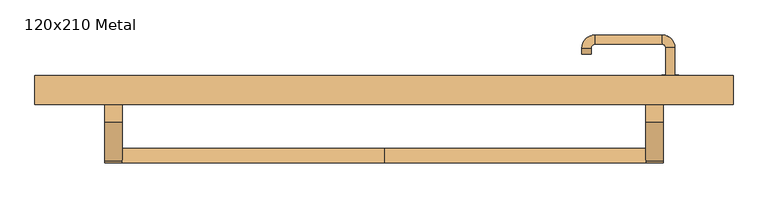
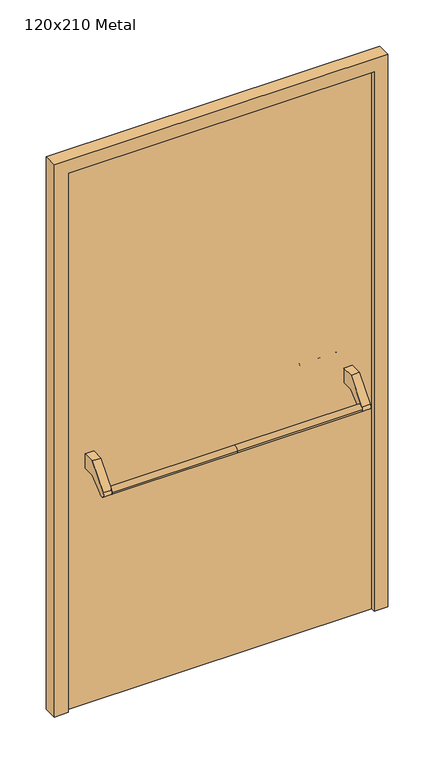
"""IFC4 building model written with IfcOpenShell, lengths in millimetres: door geometry, 120x210 Metal."""

from ifc_helpers import new_model, si_unit, point, frame, frame_2d, origin, origin_with_axes, place, context, project, spatial, polyline, circle_curve, ellipse_curve, trimmed, segment, composite_curve, outline, extrude, source, transform, mapped, element, save
from ifc_brep_helpers import plane_surface, cylinder_surface, revolved_surface, advanced_brep


def door_120x210_metal_7ee42a4d(model_context):
    return source(origin(), model_context, "Body", "SolidModel", [
        advanced_brep(
        [(-450.0, 14.5828565, 861.5304884), (-450.0, -10.4171435, 861.5304884), (0.0, 14.5828565, 861.5304884), (0.0, -10.4171435, 861.5304884), (450.0, 14.5828565, 861.5304884), (450.0, -10.4171435, 861.5304884)],
        [
            (0, 1, circle_curve(frame((-450.0, 2.0828565, 861.5304884), z_axis=(-1.0, 0.0, 0.0), x_axis=(0.0, -1.0, 0.0)), 12.5)),
            (1, 0, circle_curve(frame((-450.0, 2.0828565, 861.5304884), z_axis=(-1.0, 0.0, 0.0), x_axis=(0.0, -1.0, 0.0)), 12.5)),
            (0, 2),
            (2, 3, circle_curve(frame((0.0, 2.0828565, 861.5304884), z_axis=(-1.0, 0.0, 0.0), x_axis=(0.0, -1.0, 0.0)), 12.5)),
            (3, 1),
            (3, 2, circle_curve(frame((0.0, 2.0828565, 861.5304884), z_axis=(-1.0, 0.0, 0.0), x_axis=(0.0, -1.0, 0.0)), 12.5)),
            (4, 5, circle_curve(frame((450.0, 2.0828565, 861.5304884), z_axis=(1.0, 0.0, 0.0), x_axis=(0.0, -1.0, 0.0)), 12.5)),
            (5, 4, circle_curve(frame((450.0, 2.0828565, 861.5304884), z_axis=(1.0, 0.0, 0.0), x_axis=(0.0, -1.0, 0.0)), 12.5)),
            (5, 3),
            (2, 4),
        ],
        [
            plane_surface(frame((-450.0, -10.4171435, 861.5304884), z_axis=(-1.0, 0.0, 0.0), x_axis=(0.0, 0.0, -1.0))),
            cylinder_surface(frame((-450.0, 2.0828565, 861.5304884), z_axis=(1.0, 0.0, 0.0), x_axis=(0.0, -1.0, 0.0)), 12.5),
            plane_surface(frame((450.0, -10.4171435, 861.5304884), z_axis=(1.0, 0.0, 0.0), x_axis=(0.0, 0.0, 1.0))),
            cylinder_surface(frame((0.0, 2.0828565, 861.5304884), z_axis=(1.0, 0.0, 0.0), x_axis=(0.0, -1.0, 0.0)), 12.5),
        ],
        [
            (0, [[1, 2]]),
            (1, [[3, 4, 5, -1]]),
            (1, [[-5, 6, -3, -2]]),
            (2, [[7, 8]]),
            (3, [[9, -4, 10, -8]]),
            (3, [[-10, -6, -9, -7]]),
        ],
    ),
        extrude(outline(composite_curve([segment(polyline([(60.0, 950.0), (105.0, 950.0), (105.0, 895.2768379), (61.4513009, 895.2768379), (11.6584121, 853.4956432)]), True, "CONTINUOUS"), segment(trimmed(circle_curve(frame_2d((2.0828565, 861.5304884)), 12.5), [point((11.6584121, 853.4956432))], [point((-7.492699, 869.5653335))], False, "CARTESIAN"), True, "CONTINUOUS"), segment(polyline([(-7.492699, 869.5653335), (60.0, 950.0)]), True, "CONTINUOUS")], self_intersect=False)), frame((-480.0, 0.0, 0.0), z_axis=(1.0, 0.0, 0.0), x_axis=(0.0, 1.0, 0.0)), (0.0, 0.0, 1.0), 30.0),
        extrude(outline(composite_curve([segment(polyline([(60.0, 950.0), (105.0, 950.0), (105.0, 895.2768379), (61.4513009, 895.2768379), (11.6584121, 853.4956432)]), True, "CONTINUOUS"), segment(trimmed(circle_curve(frame_2d((2.0828565, 861.5304884)), 12.5), [point((11.6584121, 853.4956432))], [point((-7.492699, 869.5653335))], False, "CARTESIAN"), True, "CONTINUOUS"), segment(polyline([(-7.492699, 869.5653335), (60.0, 950.0)]), True, "CONTINUOUS")], self_intersect=False)), frame((450.0, 0.0, 0.0), z_axis=(1.0, 0.0, 0.0), x_axis=(0.0, 1.0, 0.0)), (0.0, 0.0, 1.0), 30.0),
        extrude(outline(composite_curve([segment(trimmed(circle_curve(frame_2d((0.0, -15.0)), 15.0), [point((0.0, -30.0))], [point((0.0, 0.0))], False, "CARTESIAN"), True, "CONTINUOUS"), segment(trimmed(circle_curve(frame_2d((0.0, -15.0)), 15.0), [point((0.0, 0.0))], [point((0.0, -30.0))], False, "CARTESIAN"), True, "CONTINUOUS")], self_intersect=False), holes=[composite_curve([segment(trimmed(circle_curve(frame_2d((4.7772515, -14.9398032)), 2.0), [point((4.7772515, -16.9398032))], [point((4.7772515, -12.9398032))], True, "CARTESIAN"), True, "CONTINUOUS"), segment(polyline([(4.7772515, -12.9398032), (-5.2227485, -12.9398032)]), True, "CONTINUOUS"), segment(trimmed(circle_curve(frame_2d((-5.2227485, -14.9398032)), 2.0), [point((-5.2227485, -12.9398032))], [point((-5.2227485, -16.9398032))], True, "CARTESIAN"), True, "CONTINUOUS"), segment(polyline([(-5.2227485, -16.9398032), (4.7772515, -16.9398032)]), True, "CONTINUOUS")], self_intersect=False)]), frame((477.0, 135.0, 897.3605726), z_axis=(1.8870575173328306e-12, 1.0, 0.0), x_axis=(0.0, 0.0, -1.0)), (0.0, 0.0, 1.0), 6.35),
        extrude(outline(composite_curve([segment(trimmed(circle_curve(frame_2d((0.0, -17.526)), 17.526), [point((0.0, -35.052))], [point((0.0, 0.0))], False, "CARTESIAN"), True, "CONTINUOUS"), segment(trimmed(circle_curve(frame_2d((0.0, -17.526)), 17.526), [point((0.0, 0.0))], [point((0.0, -35.052))], False, "CARTESIAN"), True, "CONTINUOUS")], self_intersect=False)), frame((474.474, 135.0, 950.0), z_axis=(1.8870575173328306e-12, 1.0, 0.0), x_axis=(0.0, 0.0, -1.0)), (0.0, 0.0, 1.0), 3.175),
        advanced_brep(
        [(500.0, 135.0, 950.0), (484.0, 135.0, 950.0), (500.0, 188.0, 950.0), (484.0, 188.0, 950.0), (477.8578644, 194.1421356, 950.0), (477.8578644, 210.1421356, 950.0), (362.8578644, 210.1421356, 950.0), (362.8578644, 194.1421356, 950.0), (356.008622, 187.2928932, 950.0), (340.008622, 187.2928932, 950.0), (340.008622, 177.2928932, 950.0), (356.008622, 177.2928932, 950.0)],
        [
            (0, 1, circle_curve(frame((492.0, 135.0, 950.0), z_axis=(-1.888672253512351e-12, -1.0, 0.0), x_axis=(-1.0, 1.888672253512351e-12, 0.0)), 8.0)),
            (1, 0, circle_curve(frame((492.0, 135.0, 950.0), z_axis=(-1.888672253512351e-12, -1.0, 0.0), x_axis=(-1.0, 1.888672253512351e-12, 0.0)), 8.0)),
            (0, 2),
            (2, 3, circle_curve(frame((492.0, 188.0, 950.0), z_axis=(-1.888672253512351e-12, -1.0, 0.0), x_axis=(-1.0, 1.888672253512351e-12, 0.0)), 8.0)),
            (3, 1),
            (3, 2, circle_curve(frame((492.0, 188.0, 950.0), z_axis=(-1.888672253512351e-12, -1.0, 0.0), x_axis=(-1.0, 1.888672253512351e-12, 0.0)), 8.0)),
            (4, 3, circle_curve(frame((477.8578644, 188.0, 950.0), z_axis=(0.0, 0.0, -1.0), x_axis=(1.0, -1.880717803715015e-12, 0.0)), 6.1421356)),
            (2, 5, circle_curve(frame((477.8578644, 188.0, 950.0), z_axis=(0.0, 0.0, 1.0), x_axis=(1.0, -1.880717803715015e-12, 0.0)), 22.1421356)),
            (5, 4, circle_curve(frame((477.8578644, 202.1421356, 950.0), z_axis=(1.0, -1.913702061528922e-12, 0.0), x_axis=(-1.913702061528922e-12, -1.0, 0.0)), 8.0)),
            (4, 5, circle_curve(frame((477.8578644, 202.1421356, 950.0), z_axis=(1.0, -1.913702061528922e-12, 0.0), x_axis=(-1.913702061528922e-12, -1.0, 0.0)), 8.0)),
            (5, 6),
            (6, 7, circle_curve(frame((362.8578644, 202.1421356, 950.0), z_axis=(1.0, -1.913719828541269e-12, 0.0), x_axis=(-1.913719828541269e-12, -1.0, 0.0)), 8.0)),
            (7, 4),
            (7, 6, circle_curve(frame((362.8578644, 202.1421356, 950.0), z_axis=(1.0, -1.913719828541269e-12, 0.0), x_axis=(-1.913719828541269e-12, -1.0, 0.0)), 8.0)),
            (8, 7, circle_curve(frame((362.8578644, 187.2928932, 950.0), z_axis=(0.0, 0.0, -1.0), x_axis=(1.9120873253494017e-12, 1.0, 0.0)), 6.8492424)),
            (6, 9, circle_curve(frame((362.8578644, 187.2928932, 950.0), z_axis=(0.0, 0.0, 1.0), x_axis=(1.9120873253494017e-12, 1.0, 0.0)), 22.8492424)),
            (9, 8, circle_curve(frame((348.008622, 187.2928932, 950.0), z_axis=(1.890670654956676e-12, 1.0, 0.0), x_axis=(1.0, -1.890670654956676e-12, 0.0)), 8.0)),
            (8, 9, circle_curve(frame((348.008622, 187.2928932, 950.0), z_axis=(1.890226565746826e-12, 1.0, 0.0), x_axis=(1.0, -1.890226565746826e-12, 0.0)), 8.0)),
            (10, 11, circle_curve(frame((348.008622, 177.2928932, 950.0), z_axis=(-1.8903642334018795e-12, -1.0, 0.0), x_axis=(1.0, -1.8903642334018795e-12, 0.0)), 8.0)),
            (11, 10, circle_curve(frame((348.008622, 177.2928932, 950.0), z_axis=(-1.8903642334018795e-12, -1.0, 0.0), x_axis=(1.0, -1.8903642334018795e-12, 0.0)), 8.0)),
            (9, 10),
            (11, 8),
        ],
        [
            plane_surface(frame((492.0, 135.0, 170.0), z_axis=(-1.8870575173328306e-12, -1.0, 0.0), x_axis=(0.0, 0.0, 1.0))),
            cylinder_surface(frame((492.0, 135.0, 950.0), z_axis=(-1.888672253512351e-12, -1.0, 0.0), x_axis=(-1.0, 1.888672253512351e-12, 0.0)), 8.0),
            revolved_surface(trimmed(ellipse_curve(frame((492.0, 188.0, 950.0), z_axis=(-1.8823325398945356e-12, -1.0, 0.0), x_axis=(-1.0, 1.8823325398945356e-12, 0.0)), 8.0, 8.0), [point((500.0, 188.0, 950.0))], [point((484.0, 188.0, 950.0))], True, "CARTESIAN"), (477.8578644, 188.0, 170.0), (0.0, 0.0, 1.0)),
            revolved_surface(trimmed(ellipse_curve(frame((492.0, 188.0, 950.0), z_axis=(-1.8823325398945356e-12, -1.0, 0.0), x_axis=(-1.0, 1.8823325398945356e-12, 0.0)), 8.0, 8.0), [point((484.0, 188.0, 950.0))], [point((500.0, 188.0, 950.0))], True, "CARTESIAN"), (477.8578644, 188.0, 170.0), (0.0, 0.0, 1.0)),
            cylinder_surface(frame((477.8578644, 202.1421356, 950.0), z_axis=(1.0, -1.913719828541269e-12, 0.0), x_axis=(-1.913719828541269e-12, -1.0, 0.0)), 8.0),
            revolved_surface(trimmed(ellipse_curve(frame((362.8578644, 202.1421356, 950.0), z_axis=(1.0, -1.913702061528922e-12, 0.0), x_axis=(-1.913702061528922e-12, -1.0, 0.0)), 8.0, 8.0), [point((362.8578644, 210.1421356, 950.0))], [point((362.8578644, 194.1421356, 950.0))], True, "CARTESIAN"), (362.8578644, 187.2928932, 170.0), (0.0, 0.0, 1.0)),
            revolved_surface(trimmed(ellipse_curve(frame((362.8578644, 202.1421356, 950.0), z_axis=(1.0, -1.913702061528922e-12, 0.0), x_axis=(-1.913702061528922e-12, -1.0, 0.0)), 8.0, 8.0), [point((362.8578644, 194.1421356, 950.0))], [point((362.8578644, 210.1421356, 950.0))], True, "CARTESIAN"), (362.8578644, 187.2928932, 170.0), (0.0, 0.0, 1.0)),
            plane_surface(frame((348.008622, 177.2928932, 170.0), z_axis=(-1.8887494972223595e-12, -1.0, 0.0), x_axis=(0.0, 0.0, 1.0))),
            cylinder_surface(frame((348.008622, 187.2928932, 950.0), z_axis=(1.8903642334018795e-12, 1.0, 0.0), x_axis=(1.0, -1.8903642334018795e-12, 0.0)), 8.0),
        ],
        [
            (0, [[1, 2]]),
            (1, [[-1, 3, 4, 5]]),
            (1, [[-2, -5, 6, -3]]),
            (2, [[7, -4, 8, 9]]),
            (3, [[-8, -6, -7, 10]]),
            (4, [[-9, 11, 12, 13]]),
            (4, [[-10, -13, 14, -11]]),
            (5, [[15, -12, 16, 17]]),
            (6, [[-16, -14, -15, 18]]),
            (7, [[19, 20]]),
            (8, [[-17, 21, -20, 22]]),
            (8, [[-18, -22, -19, -21]]),
        ],
    ),
        extrude(outline(polyline([(2050.0, 550.0), (0.0, 550.0), (0.0, 600.0), (2100.0, 600.0), (2100.0, -600.0), (0.0, -600.0), (0.0, -550.0), (2050.0, -550.0), (2050.0, 550.0)])), frame((0.0, 90.0, 0.0), z_axis=(0.0, 1.0, 0.0), x_axis=(0.0, 0.0, 1.0)), (0.0, 0.0, 1.0), 50.0),
        extrude(outline(polyline([(-550.0, 135.0), (550.0, 135.0), (550.0, 105.0), (-550.0, 105.0), (-550.0, 135.0)])), origin_with_axes(), (0.0, 0.0, 1.0), 2050.0),
    ])


if __name__ == "__main__":
    model = new_model("IFC4")
    model_context = context("Model", 3, world=origin())
    ifc_project = project(units=[si_unit("LENGTHUNIT", "METRE", prefix="MILLI")], contexts=[model_context])
    site = spatial("IfcSite", under=ifc_project)
    building = spatial("IfcBuilding", under=site)
    placement = place(None, origin())
    door_120x210_metal_shape = door_120x210_metal_7ee42a4d(model_context)
    element("IfcDoor", 1, ObjectType="120x210 Metal", at=placement, inside=building, context=model_context, shape_type="MappedRepresentation", body=[
        mapped(door_120x210_metal_shape, transform((0.0, 0.0, 0.0), x_axis=(1.0, 0.0, 0.0), y_axis=(0.0, 1.0, 0.0), z_axis=(0.0, 0.0, 1.0))),
    ])
    save(model, "model.ifc")
